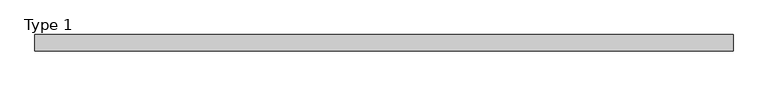
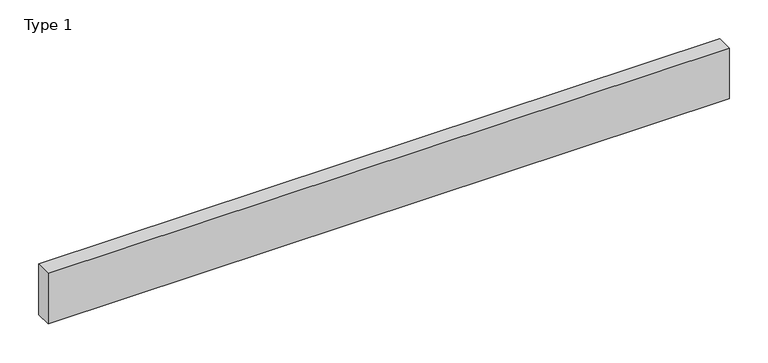
"""IFC4 building model written with IfcOpenShell, lengths in millimetres: air terminal geometry, Type 1."""

from ifc_helpers import new_model, si_unit, origin, origin_with_axes, place, context, project, spatial, polyline, outline, extrude, source, transform, mapped, element, save


def type_1_a42b525a(model_context):
    return source(origin(), model_context, "Body", "SweptSolid", [
        extrude(outline(polyline([(506.5, 12.0), (506.5, -12.0), (-506.5, -12.0), (-506.5, 12.0), (506.5, 12.0)])), origin_with_axes(), (0.0, 0.0, 1.0), 80.0),
    ])


if __name__ == "__main__":
    model = new_model("IFC4")
    model_context = context("Model", 3, world=origin())
    ifc_project = project(units=[si_unit("LENGTHUNIT", "METRE", prefix="MILLI")], contexts=[model_context])
    site = spatial("IfcSite", under=ifc_project)
    building = spatial("IfcBuilding", under=site)
    placement = place(None, origin())
    type_1_shape = type_1_a42b525a(model_context)
    element("IfcAirTerminal", 1, ObjectType="Type 1", at=placement, inside=building, context=model_context, shape_type="MappedRepresentation", body=[
        mapped(type_1_shape, transform((0.0, 0.0, 0.0), x_axis=(1.0, 0.0, 0.0), y_axis=(0.0, 1.0, 0.0), z_axis=(0.0, 0.0, 1.0))),
    ])
    save(model, "model.ifc")
